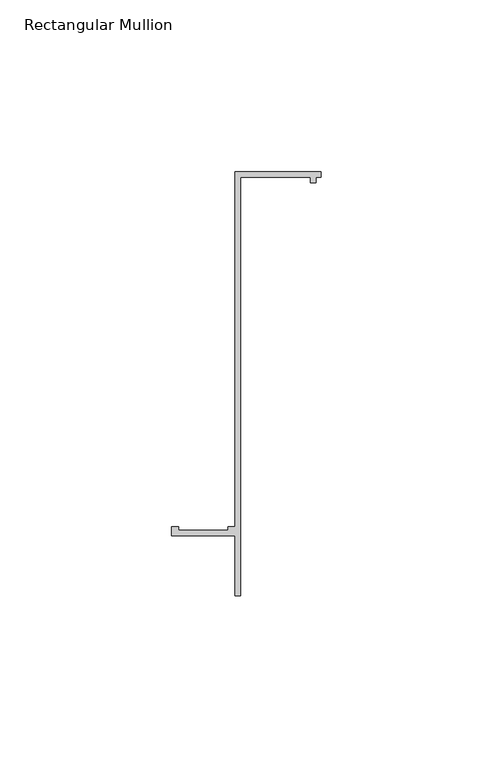
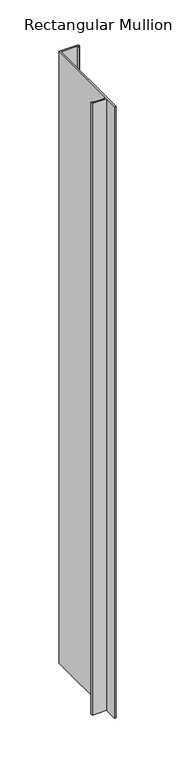
"""IFC4 building model written with IfcOpenShell, lengths in millimetres: member geometry, Rectangular Mullion."""

from ifc_helpers import new_model, si_unit, frame, origin, place, context, project, spatial, polyline, outline, extrude, source, transform, mapped, element, save


def rectangular_mullion_b7a419d4(model_context):
    return source(origin(), model_context, "Body", "SweptSolid", [
        extrude(outline(polyline([(2e-07, 55.1996656), (0.0, 53.5996656), (-1.4, 53.5996657), (-1.4000002, 51.9996657), (-3.0000002, 51.9996659), (-3.0, 53.5996659), (-23.4, 53.5996679), (-23.4000119, -68.0000321), (-25.0000119, -68.000032), (-25.0000102, -50.600032), (-43.4000102, -50.6000302), (-43.40001, -48.0000302), (-41.4017469, -48.0000304), (-41.4017469, -49.0000304), (-27.0000101, -49.0000318), (-27.0000101, -48.0000318), (-25.00001, -48.000032), (-24.9999998, 55.199668), (2e-07, 55.1996656)])), frame((0.0, 0.0, -829.9971933), z_axis=(0.0, 0.0, 1.0), x_axis=(1.0, 0.0, 0.0)), (0.0, 0.0, 1.0), 829.9971933),
    ])


if __name__ == "__main__":
    model = new_model("IFC4")
    model_context = context("Model", 3, world=origin())
    ifc_project = project(units=[si_unit("LENGTHUNIT", "METRE", prefix="MILLI")], contexts=[model_context])
    site = spatial("IfcSite", under=ifc_project)
    building = spatial("IfcBuilding", under=site)
    placement = place(None, origin())
    rectangular_mullion_shape = rectangular_mullion_b7a419d4(model_context)
    element("IfcMember", 1, ObjectType="Rectangular Mullion", at=placement, inside=building, context=model_context, shape_type="MappedRepresentation", body=[
        mapped(rectangular_mullion_shape, transform((0.0, 0.0, 0.0), x_axis=(1.0, 0.0, 0.0), y_axis=(0.0, 1.0, 0.0), z_axis=(0.0, 0.0, 1.0))),
    ])
    save(model, "model.ifc")
